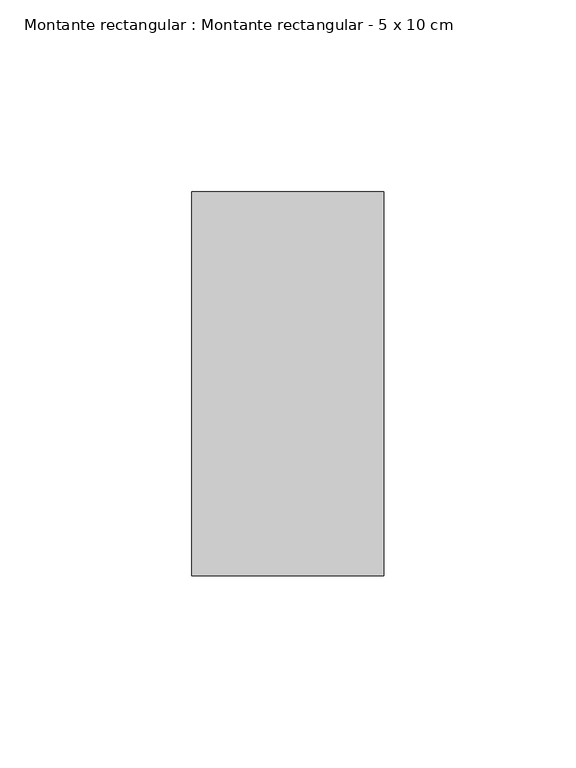
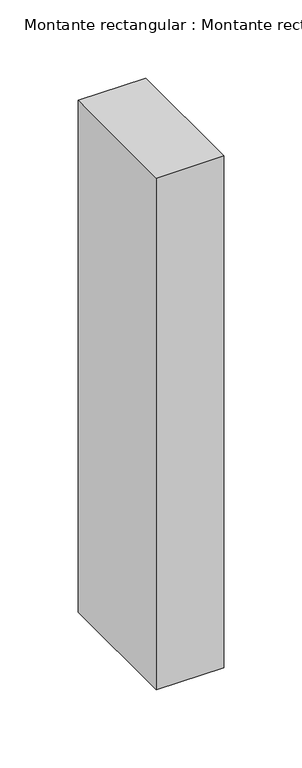
"""IFC4 building model written with IfcOpenShell, lengths in millimetres: member geometry, Montante rectangular : Montante rectangular - 5 x 10 cm."""

from ifc_helpers import new_model, si_unit, frame, origin, place, context, project, spatial, polyline, outline, extrude, source, transform, mapped, element, save


def montante_rectangular_montante_rectangular_5_x_10_cm_b37a76f4(model_context):
    return source(origin(), model_context, "Body", "SweptSolid", [
        extrude(outline(polyline([(25.0, 50.0), (25.0, -50.0), (-25.0, -50.0), (-25.0, 50.0), (25.0, 50.0)])), frame((0.0, 0.0, -400.0), z_axis=(0.0, 0.0, 1.0), x_axis=(1.0, 0.0, 0.0)), (0.0, 0.0, 1.0), 400.0),
    ])


if __name__ == "__main__":
    model = new_model("IFC4")
    model_context = context("Model", 3, world=origin())
    ifc_project = project(units=[si_unit("LENGTHUNIT", "METRE", prefix="MILLI")], contexts=[model_context])
    site = spatial("IfcSite", under=ifc_project)
    building = spatial("IfcBuilding", under=site)
    placement = place(None, origin())
    montante_rectangular_montante_rectangular_5_x_10_cm_shape = montante_rectangular_montante_rectangular_5_x_10_cm_b37a76f4(model_context)
    element("IfcMember", 1, ObjectType="Montante rectangular : Montante rectangular - 5 x 10 cm", at=placement, inside=building, context=model_context, shape_type="MappedRepresentation", body=[
        mapped(montante_rectangular_montante_rectangular_5_x_10_cm_shape, transform((0.0, 0.0, 0.0), x_axis=(1.0, 0.0, 0.0), y_axis=(0.0, 1.0, 0.0), z_axis=(0.0, 0.0, 1.0))),
    ])
    save(model, "model.ifc")
